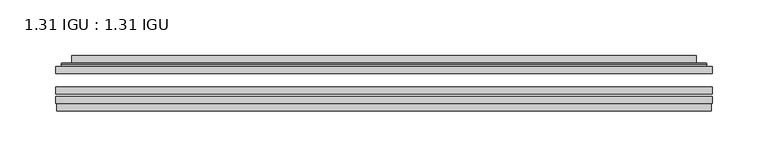
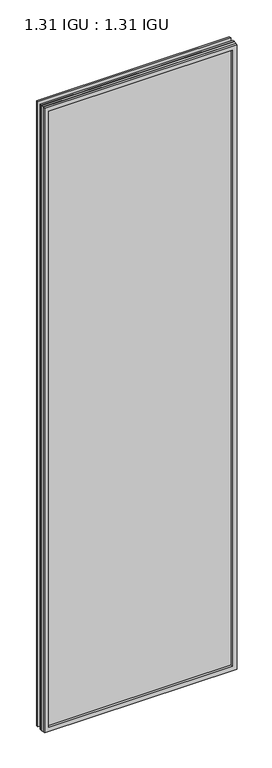
"""IFC4 building model written with IfcOpenShell, lengths in millimetres: plate geometry, 1.31 IGU : 1.31 IGU."""

from ifc_helpers import new_model, si_unit, frame, origin, place, context, project, spatial, polyline, ellipse_curve, outline, extrude, faceted_brep, source, transform, mapped, element, save
from ifc_brep_helpers import plane_surface, cylinder_surface, advanced_brep


def plate_1_31_igu_1_31_igu_8b1362ba(model_context):
    return source(origin(), model_context, "Body", "SolidModel", [
        extrude(outline(polyline([(293.7048663, -63.59525), (293.7048663, -69.94525), (-293.6906913, -69.94525), (-293.6906913, -63.59525), (293.7048663, -63.59525)])), frame((0.0, 0.0, -14.2875), z_axis=(0.0, 0.0, 1.0), x_axis=(1.0, 0.0, 0.0)), (0.0, 0.0, 1.0), 2009.8015278),
        extrude(outline(polyline([(-293.6906913, -78.58125), (-293.6906913, -72.230745), (293.7048663, -72.230745), (293.7048663, -78.58125), (-293.6906913, -78.58125)])), frame((0.0, 0.0, -14.2875), z_axis=(0.0, 0.0, 1.0), x_axis=(1.0, 0.0, 0.0)), (0.0, 0.0, 1.0), 2009.8015278),
        extrude(outline(polyline([(293.7048663, -45.25645), (293.7048663, -51.60645), (-293.6906913, -51.60645), (-293.6906913, -45.25645), (293.7048663, -45.25645)])), frame((0.0, 0.0, -14.2875), z_axis=(0.0, 0.0, 1.0), x_axis=(1.0, 0.0, 0.0)), (0.0, 0.0, 1.0), 2009.8015278),
        faceted_brep([(-292.9905056, -84.93125, 1994.8100441), (-292.9905056, -78.58125, 1994.8100441), (-292.9905056, -78.58125, -13.5873142), (-292.9905056, -84.93125, -13.5873142), (292.9905056, -78.58125, -13.5873142), (292.9905056, -84.93125, -13.5873142), (292.9905056, -78.58125, 1994.8100441), (292.9905056, -84.93125, 1994.8100441), (-278.5054472, -78.58125, 0.8977441), (278.5054472, -78.58125, 0.8977441), (278.5054472, -78.58125, 1980.3249858), (-278.5054472, -78.58125, 1980.3249858), (-279.3978815, -84.93125, 1981.2174201), (279.3978815, -84.93125, 1981.2174201), (279.3978815, -84.93125, 0.0053098), (-279.3978815, -84.93125, 0.0053098)], [[[0, 1, 2, 3]], [[3, 2, 4, 5]], [[5, 4, 6, 7]], [[1, 6, 4, 2], [8, 9, 10, 11]], [[7, 6, 1, 0]], [[3, 5, 7, 0], [12, 13, 14, 15]], [[11, 12, 15, 8]], [[8, 15, 14, 9]], [[9, 14, 13, 10]], [[10, 13, 12, 11]]]),
        advanced_brep(
        [(-286.4494104, -45.25645, 1988.2689489), (-288.8036157, -43.2667833, 1990.6231543), (-288.8036157, -43.2667833, -9.4004244), (-286.4494104, -45.25645, -7.046219), (-277.3750852, -41.416413, 1979.1946238), (-272.4402534, -45.25645, 1974.2597919), (-272.4402534, -45.25645, 6.9629379), (-277.3750852, -41.416413, 2.0281061), (-278.407113, -36.0191819, 1980.2266515), (-278.407113, -36.0191819, 0.9960783), (-279.3977698, -35.6202069, 1981.2173083), (-279.3977698, -35.6202069, 0.0054216), (-279.3977698, -42.08145, 1981.2173083), (-279.3977698, -42.08145, 0.0054216), (-287.8018262, -42.08145, 1989.6213648), (-287.8018262, -42.08145, -8.3986349), (288.8036157, -43.2667833, -9.4004244), (286.4494104, -45.25645, -7.046219), (272.4402534, -45.25645, 6.9629379), (277.3750852, -41.416413, 2.0281061), (278.407113, -36.0191819, 0.9960783), (279.3977698, -35.6202069, 0.0054216), (279.3977698, -42.08145, 0.0054216), (287.8018262, -42.08145, -8.3986349), (288.8036157, -43.2667833, 1990.6231543), (286.4494104, -45.25645, 1988.2689489), (272.4402534, -45.25645, 1974.2597919), (277.3750852, -41.416413, 1979.1946238), (278.407113, -36.0191819, 1980.2266515), (279.3977698, -35.6202069, 1981.2173083), (279.3977698, -42.08145, 1981.2173083), (287.8018262, -42.08145, 1989.6213648)],
        [
            (0, 1, ellipse_curve(frame((-286.4494104, -42.86885, 1988.2689489), z_axis=(-0.7071067811865475, 0.0, -0.7071067811865475), x_axis=(-0.7071067811865474, 0.0, 0.7071067811865476)), 3.3765763, 2.3876)),
            (1, 2),
            (2, 3, ellipse_curve(frame((-286.4494104, -42.86885, -7.046219), z_axis=(-0.7071067811865475, 0.0, 0.7071067811865475), x_axis=(0.7071067811865474, 0.0, 0.7071067811865476)), 3.3765763, 2.3876)),
            (3, 0),
            (4, 5),
            (5, 6),
            (6, 7),
            (7, 4),
            (8, 4),
            (7, 9),
            (9, 8),
            (10, 8, ellipse_curve(frame((-279.0308132, -36.1384423, 1980.8503517), z_axis=(-0.7071067811865475, 0.0, -0.7071067811865475), x_axis=(-0.7071067811865474, 0.0, 0.7071067811865476)), 0.8980256, 0.635)),
            (9, 11, ellipse_curve(frame((-279.0308132, -36.1384423, 0.3723781), z_axis=(-0.7071067811865475, 0.0, 0.7071067811865475), x_axis=(0.7071067811865474, 0.0, 0.7071067811865476)), 0.8980256, 0.635)),
            (11, 10),
            (12, 10),
            (11, 13),
            (13, 12),
            (1, 14, ellipse_curve(frame((-287.8018262, -43.09745, 1989.6213648), z_axis=(-0.7071067811865475, 0.0, -0.7071067811865475), x_axis=(-0.7071067811865474, 0.0, 0.7071067811865476)), 1.436841, 1.016)),
            (14, 15),
            (15, 2, ellipse_curve(frame((-287.8018262, -43.09745, -8.3986349), z_axis=(-0.7071067811865475, 0.0, 0.7071067811865475), x_axis=(0.7071067811865474, 0.0, 0.7071067811865476)), 1.436841, 1.016)),
            (2, 16),
            (16, 17, ellipse_curve(frame((286.4494104, -42.86885, -7.046219), z_axis=(-0.7071067811865475, 0.0, -0.7071067811865475), x_axis=(-0.7071067811865476, 0.0, 0.7071067811865474)), 3.3765763, 2.3876)),
            (17, 3),
            (6, 18),
            (18, 19),
            (19, 7),
            (19, 20),
            (20, 9),
            (20, 21, ellipse_curve(frame((279.0308132, -36.1384423, 0.3723781), z_axis=(-0.7071067811865475, 0.0, -0.7071067811865475), x_axis=(-0.7071067811865476, 0.0, 0.7071067811865474)), 0.8980256, 0.635)),
            (21, 11),
            (21, 22),
            (22, 13),
            (15, 23),
            (23, 16, ellipse_curve(frame((287.8018262, -43.09745, -8.3986349), z_axis=(-0.7071067811865475, 0.0, -0.7071067811865475), x_axis=(-0.7071067811865476, 0.0, 0.7071067811865474)), 1.436841, 1.016)),
            (16, 24),
            (24, 25, ellipse_curve(frame((286.4494104, -42.86885, 1988.2689489), z_axis=(0.7071067811865475, 0.0, -0.7071067811865475), x_axis=(-0.7071067811865474, 0.0, -0.7071067811865476)), 3.3765763, 2.3876)),
            (25, 17),
            (18, 26),
            (26, 27),
            (27, 19),
            (27, 28),
            (28, 20),
            (28, 29, ellipse_curve(frame((279.0308132, -36.1384423, 1980.8503517), z_axis=(0.7071067811865475, 0.0, -0.7071067811865475), x_axis=(-0.7071067811865474, 0.0, -0.7071067811865476)), 0.8980256, 0.635)),
            (29, 21),
            (29, 30),
            (30, 22),
            (23, 31),
            (31, 24, ellipse_curve(frame((287.8018262, -43.09745, 1989.6213648), z_axis=(0.7071067811865475, 0.0, -0.7071067811865475), x_axis=(-0.7071067811865474, 0.0, -0.7071067811865476)), 1.436841, 1.016)),
            (24, 1),
            (0, 25),
            (5, 26),
            (4, 27),
            (8, 28),
            (10, 29),
            (12, 30),
            (14, 31),
        ],
        [
            cylinder_surface(frame((-286.4494104, -42.86885, 2012.9727299), z_axis=(0.0, 0.0, 1.0), x_axis=(-1.0, 0.0, 0.0)), 2.3876),
            plane_surface(frame((-272.4402534, -45.25645, 1974.2597919), z_axis=(0.6141233906514794, 0.7892100234124821, 0.0), x_axis=(0.0, 0.0, -1.0))),
            plane_surface(frame((-277.3750852, -41.416413, 1979.1946238), z_axis=(0.9822050625507729, 0.18781164793386076, 0.0), x_axis=(0.0, 0.0, -1.0))),
            cylinder_surface(frame((-279.0308132, -36.1384423, 2012.9727299), z_axis=(0.0, 0.0, 1.0), x_axis=(-1.0, 0.0, 0.0)), 0.635),
            plane_surface(frame((-279.3977698, -35.6202069, 1981.2173083), z_axis=(-1.0, 0.0, 0.0), x_axis=(0.0, 0.0, -1.0))),
            cylinder_surface(frame((-287.8018262, -43.09745, 2012.9727299), z_axis=(0.0, 0.0, 1.0), x_axis=(-1.0, 0.0, 0.0)), 1.016),
            cylinder_surface(frame((-311.1531913, -42.86885, -7.046219), z_axis=(-1.0, 0.0, 0.0), x_axis=(0.0, 0.0, -1.0)), 2.3876),
            plane_surface(frame((-272.4402534, -45.25645, 6.9629379), z_axis=(0.0, 0.7892100234124841, 0.6141233906514768), x_axis=(1.0, 0.0, 0.0))),
            plane_surface(frame((-277.3750852, -41.416413, 2.0281061), z_axis=(0.0, 0.18781164793386393, 0.9822050625507723), x_axis=(1.0, 0.0, 0.0))),
            cylinder_surface(frame((-311.1531913, -36.1384423, 0.3723781), z_axis=(-1.0, 0.0, 0.0), x_axis=(0.0, 0.0, -1.0)), 0.635),
            plane_surface(frame((-279.3977698, -35.6202069, 0.0054216), z_axis=(0.0, 0.0, -1.0), x_axis=(1.0, 0.0, 0.0))),
            cylinder_surface(frame((-311.1531913, -43.09745, -8.3986349), z_axis=(-1.0, 0.0, 0.0), x_axis=(0.0, 0.0, -1.0)), 1.016),
            cylinder_surface(frame((286.4494104, -42.86885, -31.75), z_axis=(0.0, 0.0, -1.0), x_axis=(1.0, 0.0, 0.0)), 2.3876),
            plane_surface(frame((272.4402534, -45.25645, 6.9629379), z_axis=(-0.6141233906514743, 0.7892100234124861, 0.0), x_axis=(0.0, 0.0, 1.0))),
            plane_surface(frame((277.3750852, -41.416413, 2.0281061), z_axis=(-0.9822050625507718, 0.1878116479338671, 0.0), x_axis=(0.0, 0.0, 1.0))),
            cylinder_surface(frame((279.0308132, -36.1384423, -31.75), z_axis=(0.0, 0.0, -1.0), x_axis=(1.0, 0.0, 0.0)), 0.635),
            plane_surface(frame((279.3977698, -35.6202069, 0.0054216), z_axis=(1.0, 0.0, 0.0), x_axis=(0.0, 0.0, 1.0))),
            cylinder_surface(frame((287.8018262, -43.09745, -31.75), z_axis=(0.0, 0.0, -1.0), x_axis=(1.0, 0.0, 0.0)), 1.016),
            cylinder_surface(frame((311.1531913, -42.86885, 1988.2689489), z_axis=(1.0, 0.0, 0.0), x_axis=(0.0, 0.0, 1.0)), 2.3876),
            plane_surface(frame((286.4494104, -45.25645, 1988.2689489), z_axis=(0.0, -1.0, 0.0), x_axis=(-1.0, 0.0, 0.0))),
            plane_surface(frame((272.4402534, -45.25645, 1974.2597919), z_axis=(0.0, 0.7892100234124841, -0.6141233906514768), x_axis=(-1.0, 0.0, 0.0))),
            plane_surface(frame((277.3750852, -41.416413, 1979.1946238), z_axis=(0.0, 0.18781164793386393, -0.9822050625507723), x_axis=(-1.0, 0.0, 0.0))),
            cylinder_surface(frame((311.1531913, -36.1384423, 1980.8503517), z_axis=(1.0, 0.0, 0.0), x_axis=(0.0, 0.0, 1.0)), 0.635),
            plane_surface(frame((279.3977698, -35.6202069, 1981.2173083), z_axis=(0.0, 0.0, 1.0), x_axis=(-1.0, 0.0, 0.0))),
            plane_surface(frame((279.3977698, -42.08145, 1981.2173083), z_axis=(0.0, 1.0, 0.0), x_axis=(-1.0, 0.0, 0.0))),
            cylinder_surface(frame((311.1531913, -43.09745, 1989.6213648), z_axis=(1.0, 0.0, 0.0), x_axis=(0.0, 0.0, 1.0)), 1.016),
        ],
        [
            (0, [[1, 2, 3, 4]]),
            (1, [[5, 6, 7, 8]]),
            (2, [[9, -8, 10, 11]]),
            (3, [[12, -11, 13, 14]]),
            (4, [[15, -14, 16, 17]]),
            (5, [[18, 19, 20, -2]]),
            (6, [[-3, 21, 22, 23]]),
            (7, [[-7, 24, 25, 26]]),
            (8, [[-10, -26, 27, 28]]),
            (9, [[-13, -28, 29, 30]]),
            (10, [[-16, -30, 31, 32]]),
            (11, [[-20, 33, 34, -21]]),
            (12, [[-22, 35, 36, 37]]),
            (13, [[-25, 38, 39, 40]]),
            (14, [[-27, -40, 41, 42]]),
            (15, [[-29, -42, 43, 44]]),
            (16, [[-31, -44, 45, 46]]),
            (17, [[-34, 47, 48, -35]]),
            (18, [[-36, 49, -1, 50]]),
            (19, [[-23, -37, -50, -4], [51, -38, -24, -6]]),
            (20, [[-39, -51, -5, 52]]),
            (21, [[-41, -52, -9, 53]]),
            (22, [[-43, -53, -12, 54]]),
            (23, [[-45, -54, -15, 55]]),
            (24, [[56, -47, -33, -19], [-32, -46, -55, -17]]),
            (25, [[-48, -56, -18, -49]]),
        ],
    ),
    ])


if __name__ == "__main__":
    model = new_model("IFC4")
    model_context = context("Model", 3, world=origin())
    ifc_project = project(units=[si_unit("LENGTHUNIT", "METRE", prefix="MILLI")], contexts=[model_context])
    site = spatial("IfcSite", under=ifc_project)
    building = spatial("IfcBuilding", under=site)
    placement = place(None, origin())
    plate_1_31_igu_1_31_igu_shape = plate_1_31_igu_1_31_igu_8b1362ba(model_context)
    element("IfcPlate", 1, ObjectType="1.31 IGU : 1.31 IGU", at=placement, inside=building, context=model_context, shape_type="MappedRepresentation", body=[
        mapped(plate_1_31_igu_1_31_igu_shape, transform((0.0, 0.0, 0.0), x_axis=(1.0, 0.0, 0.0), y_axis=(0.0, 1.0, 0.0), z_axis=(0.0, 0.0, 1.0))),
    ])
    save(model, "model.ifc")
